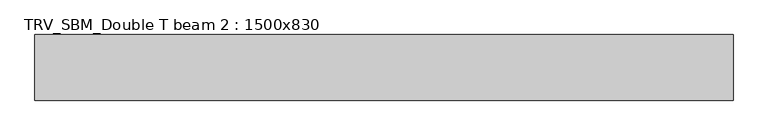
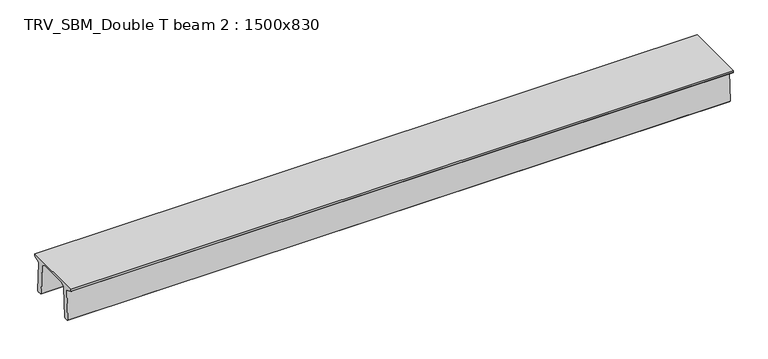
"""IFC4 building model written with IfcOpenShell, lengths in millimetres: beam geometry, TRV_SBM_Double T beam 2 : 1500x830."""

from ifc_helpers import new_model, si_unit, frame, origin, place, context, project, spatial, polyline, outline, extrude, source, transform, mapped, element, save


def trv_sbm_double_t_beam_2_1500x830_0cdd486d(model_context):
    return source(origin(), model_context, "Body", "SweptSolid", [
        extrude(outline(polyline([(337.4555014, 470.0), (-343.4555014, 470.0), (-456.5828437, 409.8491251), (-494.786332, -340.5206011), (-514.2657308, -360.0), (-604.2657308, -360.0), (-624.8277662, -339.4379646), (-586.9373878, 401.9654693), (-752.8511046, 468.9989621), (-753.0, 475.0), (-753.0, 520.0), (747.0, 520.0), (747.0, 475.0), (746.8511046, 468.9989621), (580.9373878, 401.9654693), (618.8277662, -339.4379646), (598.2657308, -360.0), (508.2657308, -360.0), (488.786332, -340.5206011), (450.5828437, 409.8491251), (337.4555014, 470.0)])), frame((-7981.5, 0.0, 0.0), z_axis=(1.0, 0.0, 0.0), x_axis=(0.0, 1.0, 0.0)), (0.0, 0.0, 1.0), 15963.0),
    ])


if __name__ == "__main__":
    model = new_model("IFC4")
    model_context = context("Model", 3, world=origin())
    ifc_project = project(units=[si_unit("LENGTHUNIT", "METRE", prefix="MILLI")], contexts=[model_context])
    site = spatial("IfcSite", under=ifc_project)
    building = spatial("IfcBuilding", under=site)
    placement = place(None, origin())
    trv_sbm_double_t_beam_2_1500x830_shape = trv_sbm_double_t_beam_2_1500x830_0cdd486d(model_context)
    element("IfcBeam", 1, ObjectType="TRV_SBM_Double T beam 2 : 1500x830", at=placement, inside=building, context=model_context, shape_type="MappedRepresentation", body=[
        mapped(trv_sbm_double_t_beam_2_1500x830_shape, transform((0.0, 0.0, 0.0), x_axis=(1.0, 0.0, 0.0), y_axis=(0.0, 1.0, 0.0), z_axis=(0.0, 0.0, 1.0))),
    ])
    save(model, "model.ifc")
